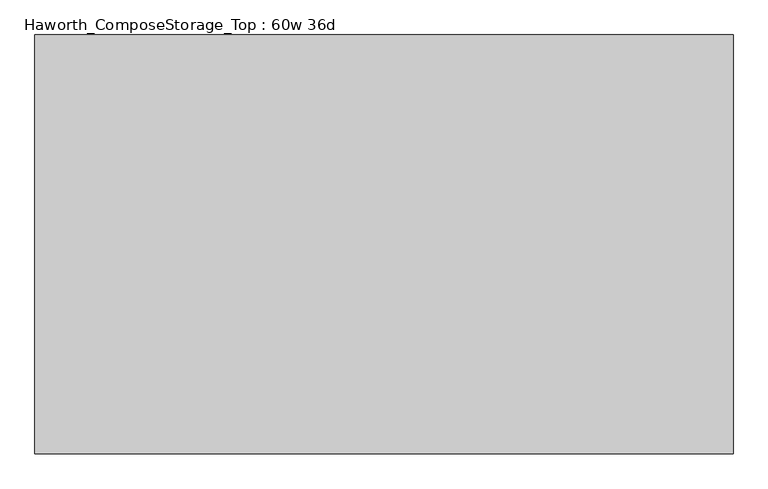
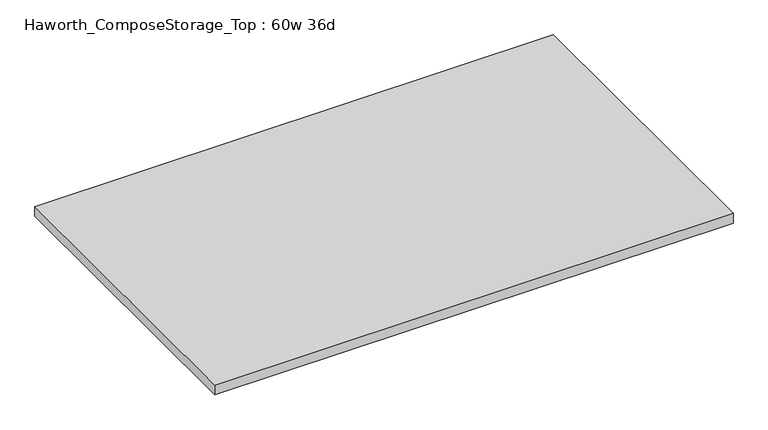
"""IFC4 building model written with IfcOpenShell, lengths in millimetres: furniture geometry, Haworth_ComposeStorage_Top : 60w 36d."""

import ifcopenshell
import ifcopenshell.guid

model = None  # the IFC model being written
_history = None  # IfcOwnerHistory: only IFC2X3 demands one
_inside = {}  # id of a spatial element -> (the spatial element, [elements in it])
_under = {}  # id of a project, library or spatial element -> (it, [spatial elements below it])
_declared = {}  # id of a project -> (the project, [libraries it declares])
_typed = {}  # id of a type object -> (the type object, [elements of that type])
_made_of = {}  # id of a material, layer set ... -> (it, [elements and type objects made of it])


def new_model(schema):
    """Start an empty IFC model of exactly this schema.

    Asked for "IFC4X3", IfcOpenShell would pick the latest addendum, in which some entities
    have other attributes; the version numbers below select the first issue.
    IFC2X3 requires an IfcOwnerHistory on every rooted entity: one is made here for all.
    """
    global model, _history
    if schema == "IFC4X3":
        model = ifcopenshell.file(schema_version=(4, 3, 0, 0))
    else:
        model = ifcopenshell.file(schema=schema)
    _inside.clear()
    _under.clear()
    _declared.clear()
    _typed.clear()
    _made_of.clear()
    _history = None
    if model.schema == "IFC2X3":
        org = make("IfcOrganization", Name="unknown")
        user = make(
            "IfcPersonAndOrganization",
            ThePerson=make("IfcPerson", FamilyName="unknown"),
            TheOrganization=org,
        )
        app = make(
            "IfcApplication",
            ApplicationDeveloper=org,
            Version="unknown",
            ApplicationFullName="unknown",
            ApplicationIdentifier="unknown",
        )
        _history = make(
            "IfcOwnerHistory",
            OwningUser=user,
            OwningApplication=app,
            ChangeAction="ADDED",
            CreationDate=0,
        )
    return model


def make(cls, **values):
    """One entity of the class cls with the attributes given. An attribute that is None is left unset."""
    return model.create_entity(
        cls, **{name: value for name, value in values.items() if value is not None}
    )


def rooted(cls, **values):
    """An entity with a GlobalId (a new one), such as an element, a storey or a relation."""
    return make(cls, GlobalId=ifcopenshell.guid.new(), OwnerHistory=_history, **values)


def si_unit(unit_type, name, prefix=None):
    """IfcSIUnit, for example si_unit("LENGTHUNIT", "METRE", prefix="MILLI")."""
    return make("IfcSIUnit", UnitType=unit_type, Prefix=prefix, Name=name)


def assignment(units):
    """IfcUnitAssignment: the units of a project."""
    return None if units is None else make("IfcUnitAssignment", Units=units)


def point(xyz):
    """IfcCartesianPoint."""
    return None if xyz is None else make("IfcCartesianPoint", Coordinates=xyz)


def direction(xyz):
    """IfcDirection."""
    return None if xyz is None else make("IfcDirection", DirectionRatios=xyz)


def frame(location, z_axis=None, x_axis=None):
    """IfcAxis2Placement3D, a coordinate frame: its origin and axes. An axis left out is left unset."""
    return make(
        "IfcAxis2Placement3D",
        Location=point(location),
        Axis=direction(z_axis),
        RefDirection=direction(x_axis),
    )


def origin():
    """The frame at (0, 0, 0) with its axes left unset."""
    return frame((0.0, 0.0, 0.0))


def place(relative_to, where):
    """IfcLocalPlacement: puts the frame where relative to a parent placement (None: the world)."""
    return make(
        "IfcLocalPlacement", PlacementRelTo=relative_to, RelativePlacement=where
    )


def context(
    kind, dimensions, precision=None, world=None, true_north=None, identifier=None
):
    """IfcGeometricRepresentationContext, for example the 3D "Model" context."""
    return make(
        "IfcGeometricRepresentationContext",
        ContextIdentifier=identifier,
        ContextType=kind,
        CoordinateSpaceDimension=dimensions,
        Precision=precision,
        WorldCoordinateSystem=world,
        TrueNorth=true_north,
    )


def project(units=None, contexts=None):
    """IfcProject with its units and contexts."""
    return rooted(
        "IfcProject",
        Name="project",
        RepresentationContexts=contexts,
        UnitsInContext=assignment(units),
    )


def spatial(cls, under=None, at=None, **own):
    """A site, building, storey or space (cls), placed at a placement, below another one or the project."""
    s = rooted(cls, ObjectPlacement=at, **own)
    if under is not None:
        _under.setdefault(under.id(), (under, []))[1].append(s)
    return s


def polyline(points):
    """IfcPolyline through the points."""
    return make("IfcPolyline", Points=[point(p) for p in points])


def outline(outer, holes=None, kind="AREA"):
    """IfcArbitraryClosedProfileDef: a profile drawn as a closed curve; with holes, ...WithVoids."""
    if holes is None:
        return make("IfcArbitraryClosedProfileDef", ProfileType=kind, OuterCurve=outer)
    return make(
        "IfcArbitraryProfileDefWithVoids",
        ProfileType=kind,
        OuterCurve=outer,
        InnerCurves=holes,
    )


def extrude(swept, where, along, depth):
    """IfcExtrudedAreaSolid: the profile swept, set in the frame where, extruded along a direction by depth."""
    return make(
        "IfcExtrudedAreaSolid",
        SweptArea=swept,
        Position=where,
        ExtrudedDirection=direction(along),
        Depth=depth,
    )


def shape(context_of_items, identifier, shape_type, items):
    """IfcShapeRepresentation: the items that make up one representation, for example the "Body"."""
    return make(
        "IfcShapeRepresentation",
        ContextOfItems=context_of_items,
        RepresentationIdentifier=identifier,
        RepresentationType=shape_type,
        Items=items,
    )


def source(mapping_origin, context_of_items, identifier, shape_type, items):
    """IfcRepresentationMap: a shape defined once, which mapped items show again and again."""
    return make(
        "IfcRepresentationMap",
        MappingOrigin=mapping_origin,
        MappedRepresentation=shape(context_of_items, identifier, shape_type, items),
    )


def transform(
    local_origin,
    x_axis=None,
    y_axis=None,
    z_axis=None,
    scale=None,
    scale2=None,
    scale3=None,
    uniform=True,
):
    """IfcCartesianTransformationOperator3D, or its non-uniform kind. x_axis, y_axis, z_axis: its Axis1, 2, 3."""
    if uniform:
        return make(
            "IfcCartesianTransformationOperator3D",
            Axis1=direction(x_axis),
            Axis2=direction(y_axis),
            LocalOrigin=point(local_origin),
            Scale=scale,
            Axis3=direction(z_axis),
        )
    return make(
        "IfcCartesianTransformationOperator3DnonUniform",
        Axis1=direction(x_axis),
        Axis2=direction(y_axis),
        LocalOrigin=point(local_origin),
        Scale=scale,
        Axis3=direction(z_axis),
        Scale2=scale2,
        Scale3=scale3,
    )


def mapped(mapping_source, mapping_target):
    """IfcMappedItem: shows the shape of a source again, moved by a transform."""
    return make(
        "IfcMappedItem", MappingSource=mapping_source, MappingTarget=mapping_target
    )


def made_of(thing, what):
    """Note that an element or type object is made of a material, layer set ...; save() writes the relation."""
    if what is not None:
        _made_of.setdefault(what.id(), (what, []))[1].append(thing)
    return thing


def element(
    cls,
    number,
    at=None,
    inside=None,
    cuts=None,
    type_object=None,
    material=None,
    context=None,
    identifier="Body",
    shape_type=None,
    held_by="IfcProductDefinitionShape",
    body=None,
    shapes=None,
    **own,
):
    """One element of the class cls, such as IfcWall. Its Tag is "e" and its number.

    at: its placement. inside: the storey or other place that contains it. cuts: it is an
    opening in that element (IfcRelVoidsElement). A single representation is given by context,
    identifier, shape_type and body (its items); several are given by shapes. held_by: the class
    of the entity that holds the representations. save() writes the other relations.
    """
    e = rooted(cls, Tag="e%d" % number, ObjectPlacement=at, **own)
    if body is not None:
        shapes = [shape(context, identifier, shape_type, body)]
    if shapes is not None:
        e.Representation = make(held_by, Representations=shapes)
    if inside is not None:
        _inside.setdefault(inside.id(), (inside, []))[1].append(e)
    if cuts is not None:
        rooted(
            "IfcRelVoidsElement", RelatingBuildingElement=cuts, RelatedOpeningElement=e
        )
    if type_object is not None:
        _typed.setdefault(type_object.id(), (type_object, []))[1].append(e)
    return made_of(e, material)


def aggregate(whole, parts):
    """IfcRelAggregates: a whole, such as a stair, and the parts it consists of."""
    return rooted("IfcRelAggregates", RelatingObject=whole, RelatedObjects=parts)


def save(model, path):
    """Write the relations noted so far, then the file.

    IfcRelAggregates (storeys below a building ...), IfcRelContainedInSpatialStructure (elements
    in a storey), IfcRelDefinesByType, IfcRelAssociatesMaterial and IfcRelDeclares: one each for
    every whole, place, type object, material and project.
    """
    for whole, parts in _under.values():
        aggregate(whole, parts)
    for where, things in _inside.values():
        rooted(
            "IfcRelContainedInSpatialStructure",
            RelatedElements=things,
            RelatingStructure=where,
        )
    for kind, things in _typed.values():
        rooted("IfcRelDefinesByType", RelatedObjects=things, RelatingType=kind)
    for what, things in _made_of.values():
        rooted("IfcRelAssociatesMaterial", RelatedObjects=things, RelatingMaterial=what)
    for by, libraries in _declared.values():
        rooted("IfcRelDeclares", RelatingContext=by, RelatedDefinitions=libraries)
    model.write(path)


def haworth_composestorage_top_60w_36d_d276f7b5(model_context):
    return source(origin(), model_context, "Body", "SweptSolid", [
        extrude(outline(polyline([(762.0, 457.2), (762.0, -457.2), (-762.0, -457.2), (-762.0, 457.2), (762.0, 457.2)])), frame((0.0, 0.0, 706.4375), z_axis=(0.0, 0.0, 1.0), x_axis=(1.0, 0.0, 0.0)), (0.0, 0.0, 1.0), 30.1625),
    ])


if __name__ == "__main__":
    model = new_model("IFC4")
    model_context = context("Model", 3, world=origin())
    ifc_project = project(units=[si_unit("LENGTHUNIT", "METRE", prefix="MILLI")], contexts=[model_context])
    site = spatial("IfcSite", under=ifc_project)
    building = spatial("IfcBuilding", under=site)
    placement = place(None, origin())
    haworth_composestorage_top_60w_36d_shape = haworth_composestorage_top_60w_36d_d276f7b5(model_context)
    element("IfcFurniture", 1, ObjectType="Haworth_ComposeStorage_Top : 60w 36d", at=placement, inside=building, context=model_context, shape_type="MappedRepresentation", body=[
        mapped(haworth_composestorage_top_60w_36d_shape, transform((0.0, 0.0, 0.0), x_axis=(1.0, 0.0, 0.0), y_axis=(0.0, 1.0, 0.0), z_axis=(0.0, 0.0, 1.0))),
    ])
    save(model, "model.ifc")
